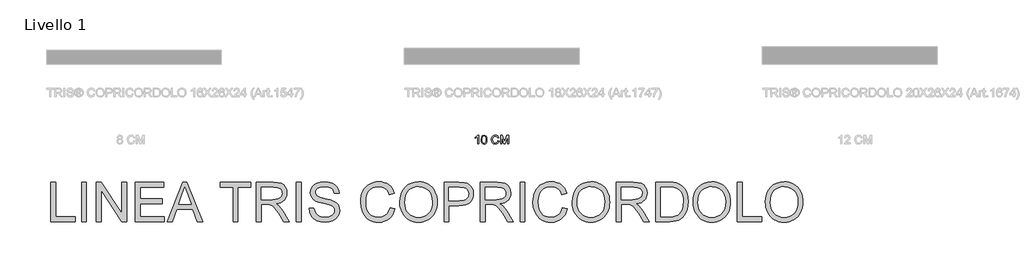
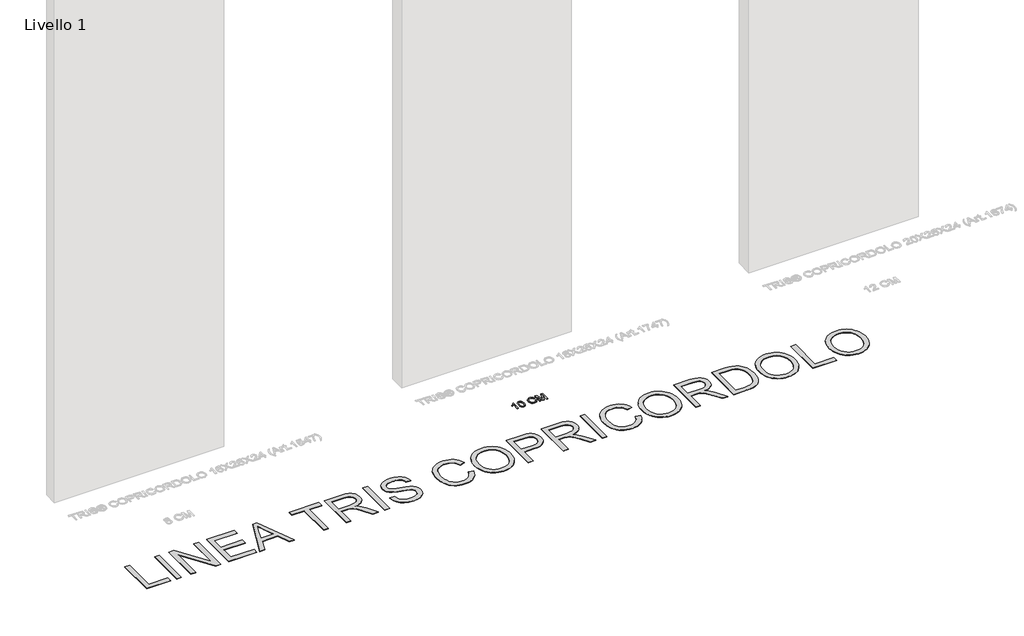
# One storey, part 2 of 16: 2 proxies.
"""IFC4 building model written with IfcOpenShell, lengths in millimetres."""

from ifc_helpers import new_model, si_unit, origin, origin_with_axes, place, context, project, spatial, polyline, outline, extrude, element, save

model = new_model("IFC4")

# Units and contexts
model_context = context("Model", 3, world=origin())
ifc_project = project(units=[si_unit("LENGTHUNIT", "METRE", prefix="MILLI")], contexts=[model_context])

# Site, building, storey
site = spatial("IfcSite", under=ifc_project)
building = spatial("IfcBuilding", under=site)
storey = spatial("IfcBuildingStorey", under=building, Name="Livello 1", Elevation=0.0)

# Proxies
placement = place(None, origin())
element("IfcBuildingElementProxy", 1, Name="100", ObjectType="100", at=placement, inside=storey, context=model_context, shape_type="SweptSolid", body=[
    extrude(outline(polyline([(-661.8210443, -2319.8590312), (-674.3780831, -2319.8590312), (-674.3780831, -2241.5737426), (-686.2729343, -2250.0472912), (-699.4921606, -2256.3871243), (-699.4921606, -2244.5167986), (-681.0857981, -2232.7691002), (-669.9144482, -2219.4027211), (-661.8210443, -2219.4027211), (-661.8210443, -2319.8590312)])), origin_with_axes(), (0.0, 0.0, 1.0), 5.0),
    extrude(outline(polyline([(-631.9980772, -2270.4402165), (-628.3069945, -2241.5369544), (-617.3441111, -2224.8719), (-599.0358505, -2219.4027211), (-584.3696216, -2222.6400826), (-574.240604, -2231.9720226), (-568.3544921, -2246.8344552), (-566.0736237, -2270.4402165), (-569.7279182, -2299.2208513), (-580.6540134, -2315.9226939), (-588.8853731, -2320.0521692), (-599.0358505, -2321.428661), (-612.0833986, -2319.0374281), (-621.991687, -2311.8637292), (-629.4964797, -2294.8737124), (-631.9980772, -2270.4402165)]), holes=[polyline([(-619.4410385, -2270.415691), (-617.9695105, -2290.1678885), (-613.5549265, -2301.5998215), (-606.9821016, -2307.0536721), (-599.0358505, -2308.8716223), (-591.0895994, -2307.0475407), (-584.5167744, -2301.575296), (-580.1021904, -2290.1372317), (-578.6306625, -2270.415691), (-580.0531395, -2251.1080177), (-584.3205707, -2239.5871799), (-590.8811329, -2233.8666148), (-599.1830033, -2231.9597598), (-607.0434152, -2233.6397543), (-613.3587228, -2238.6797376), (-617.9204595, -2250.9179453), (-619.4410385, -2270.415691)])]), origin_with_axes(), (0.0, 0.0, 1.0), 5.0),
    extrude(outline(polyline([(-440.503236, -2284.1499522), (-427.9461972, -2287.3873138), (-433.7403387, -2302.0198201), (-442.8331553, -2312.7098578), (-454.7770574, -2319.2489602), (-469.1244552, -2321.428661), (-483.6895166, -2319.7793234), (-495.2563396, -2314.8313106), (-504.1222957, -2306.7563008), (-510.5847561, -2295.7259723), (-515.8454686, -2268.8705867), (-514.3586122, -2254.2227519), (-509.898043, -2241.5737426), (-502.696753, -2231.3251634), (-492.987734, -2223.8786187), (-481.4730275, -2219.3444731), (-468.8546751, -2217.8330912), (-455.0866914, -2219.7889971), (-443.7038094, -2225.656715), (-435.0616482, -2235.074494), (-429.5158271, -2247.6805837), (-442.0728659, -2250.6726906), (-452.3735617, -2235.2339096), (-469.3451844, -2230.39013), (-488.990083, -2235.7612071), (-500.0878565, -2250.1821813), (-503.2884299, -2268.8460612), (-499.4992453, -2290.4775225), (-487.702496, -2304.2976228), (-470.375254, -2308.8716223), (-459.8936828, -2307.3142552), (-451.1595511, -2302.6421538), (-444.5652664, -2294.9043692), (-440.503236, -2284.1499522)])), origin_with_axes(), (0.0, 0.0, 1.0), 5.0),
    extrude(outline(polyline([(-410.6802689, -2319.8590312), (-410.6802689, -2219.4027211), (-389.0733331, -2219.4027211), (-368.5209923, -2290.2077424), (-364.3761885, -2304.9965986), (-359.8880281, -2288.9814691), (-339.6790439, -2219.4027211), (-318.072108, -2219.4027211), (-318.072108, -2319.8590312), (-330.6291468, -2319.8590312), (-330.6291468, -2231.9597598), (-355.8658516, -2319.8590312), (-372.8865253, -2319.8590312), (-398.1232302, -2231.9597598), (-398.1232302, -2319.8590312), (-410.6802689, -2319.8590312)])), origin_with_axes(), (0.0, 0.0, 1.0), 5.0),
])
element("IfcBuildingElementProxy", 2, Name="450mm", ObjectType="450mm", at=placement, inside=storey, context=model_context, shape_type="SweptSolid", body=[
    extrude(outline(polyline([(-5561.6557455, -3208.8590312), (-5561.6557455, -2759.2028884), (-5505.4487277, -2759.2028884), (-5505.4487277, -3152.6520133), (-5280.6206563, -3152.6520133), (-5280.6206563, -3208.8590312), (-5561.6557455, -3208.8590312)])), origin_with_axes(), (0.0, 0.0, 1.0), 5.0),
    extrude(outline(polyline([(-5210.361884, -3208.8590312), (-5210.361884, -2759.2028884), (-5154.1548661, -2759.2028884), (-5154.1548661, -3208.8590312), (-5210.361884, -3208.8590312)])), origin_with_axes(), (0.0, 0.0, 1.0), 5.0),
    extrude(outline(polyline([(-5041.7408304, -3208.8590312), (-5041.7408304, -2759.2028884), (-4981.5817566, -2759.2028884), (-4746.6539867, -3115.4368199), (-4746.6539867, -2759.2028884), (-4690.4469688, -2759.2028884), (-4690.4469688, -3208.8590312), (-4750.6060426, -3208.8590312), (-4985.5338125, -2852.5153204), (-4985.5338125, -3208.8590312), (-5041.7408304, -3208.8590312)])), origin_with_axes(), (0.0, 0.0, 1.0), 5.0),
    extrude(outline(polyline([(-4592.0846876, -3208.8590312), (-4592.0846876, -2759.2028884), (-4268.8943349, -2759.2028884), (-4268.8943349, -2815.4099062), (-4535.8776697, -2815.4099062), (-4535.8776697, -2948.9015736), (-4282.9460894, -2948.9015736), (-4282.9460894, -3005.1085915), (-4535.8776697, -3005.1085915), (-4535.8776697, -3152.6520133), (-4261.8684577, -3152.6520133), (-4261.8684577, -3208.8590312), (-4592.0846876, -3208.8590312)])), origin_with_axes(), (0.0, 0.0, 1.0), 5.0),
    extrude(outline(polyline([(-4229.9226722, -3208.8590312), (-4050.4334648, -2759.2028884), (-4002.5696761, -2759.2028884), (-3823.0804687, -3208.8590312), (-3882.4710872, -3208.8590312), (-3933.9575938, -3068.3414866), (-4119.1553264, -3068.3414866), (-4170.5320537, -3208.8590312), (-4229.9226722, -3208.8590312)]), holes=[polyline([(-4098.5168121, -3012.1344687), (-3954.4863288, -3012.1344687), (-3994.9949022, -2901.5866817), (-4026.5015704, -2815.4099062), (-4054.4953, -2891.9261005), (-4098.5168121, -3012.1344687)])]), origin_with_axes(), (0.0, 0.0, 1.0), 5.0),
    extrude(outline(polyline([(-3474.9702078, -3208.8590312), (-3474.9702078, -2815.4099062), (-3622.5136296, -2815.4099062), (-3622.5136296, -2759.2028884), (-3271.2197681, -2759.2028884), (-3271.2197681, -2815.4099062), (-3418.7631899, -2815.4099062), (-3418.7631899, -3208.8590312), (-3474.9702078, -3208.8590312)])), origin_with_axes(), (0.0, 0.0, 1.0), 5.0),
    extrude(outline(polyline([(-3207.986873, -3208.8590312), (-3207.986873, -2759.2028884), (-3014.2263524, -2759.2028884), (-2962.1497819, -2762.2355424), (-2924.2621901, -2771.3335045), (-2896.5703537, -2788.1297423), (-2875.0810495, -2814.2572233), (-2861.2900209, -2846.6558485), (-2856.6930114, -2882.2655193), (-2858.5969967, -2905.3603462), (-2864.3089525, -2926.5614796), (-2873.828879, -2945.8689196), (-2887.156776, -2963.2826661), (-2904.4641737, -2978.2469613), (-2925.9226025, -2990.2060472), (-2951.5320622, -2999.1599239), (-2981.2925529, -3005.1085915), (-2949.3467674, -3029.1502651), (-2903.7883447, -3087.003973), (-2828.8090611, -3208.8590312), (-2894.1277635, -3208.8590312), (-2952.6401473, -3115.6563786), (-2994.9051901, -3053.9603941), (-3010.6173569, -3035.9703061), (-3024.6004993, -3024.8139815), (-3051.3317666, -3014.1104967), (-3083.9362281, -3012.1344687), (-3151.7798551, -3012.1344687), (-3151.7798551, -3208.8590312), (-3207.986873, -3208.8590312)]), holes=[polyline([(-3151.7798551, -2955.9274509), (-3025.9727409, -2955.9274509), (-2989.8416184, -2953.9377005), (-2961.8067215, -2947.9684493), (-2940.701645, -2937.6217473), (-2925.3599834, -2922.4996443), (-2916.0150178, -2904.2076632), (-2912.9000292, -2884.3513266), (-2914.3854808, -2869.9770953), (-2918.8418356, -2856.9339385), (-2936.6672546, -2834.840848), (-2950.2764611, -2826.339811), (-2967.3368554, -2820.2676417), (-3011.8112071, -2815.4099062), (-3151.7798551, -2815.4099062), (-3151.7798551, -2955.9274509)])]), origin_with_axes(), (0.0, 0.0, 1.0), 5.0),
    extrude(outline(polyline([(-2751.3048529, -3208.8590312), (-2751.3048529, -2759.2028884), (-2695.0978351, -2759.2028884), (-2695.0978351, -3208.8590312), (-2751.3048529, -3208.8590312)])), origin_with_axes(), (0.0, 0.0, 1.0), 5.0),
    extrude(outline(polyline([(-2603.7614311, -3054.2897321), (-2547.5544132, -3054.2897321), (-2541.1048775, -3085.4807847), (-2529.4408235, -3110.5516396), (-2511.2448992, -3130.4491435), (-2485.1997528, -3146.1201431), (-2453.3637466, -3156.2884537), (-2417.7952431, -3159.6778906), (-2386.4806887, -3157.1117987), (-2359.0633006, -3149.4135231), (-2336.8467083, -3137.2280172), (-2321.1345415, -3121.2002348), (-2311.7895759, -3102.7984743), (-2308.6745873, -3083.4910344), (-2311.0073981, -3064.6776014), (-2318.0058305, -3048.4165379), (-2332.222254, -3034.5431748), (-2356.209038, -3022.8928432), (-2438.0495298, -3001.4309839), (-2491.7727903, -2987.2282828), (-2526.1474435, -2973.7117026), (-2554.1274507, -2954.8022127), (-2573.9563425, -2931.8857772), (-2585.7713431, -2905.4564031), (-2589.7096766, -2876.0080974), (-2584.8382188, -2843.0880203), (-2570.2238452, -2812.3909746), (-2546.2507836, -2786.373273), (-2513.3032617, -2767.4912279), (-2473.7552574, -2756.0055653), (-2429.9807489, -2752.1770112), (-2382.5560776, -2756.1839568), (-2341.0594902, -2768.2047936), (-2306.9730077, -2787.9925181), (-2281.7786511, -2815.3001269), (-2265.8332031, -2848.4260403), (-2259.4934467, -2885.6686786), (-2315.7004646, -2885.6686786), (-2319.4604067, -2867.7334802), (-2326.0197218, -2852.1310927), (-2335.3784098, -2838.861516), (-2347.5364708, -2827.9247501), (-2362.7203246, -2819.3756846), (-2381.1563911, -2813.2692093), (-2427.7851623, -2808.384029), (-2475.5117268, -2813.2143196), (-2493.7556794, -2819.2521828), (-2508.2534124, -2827.7051914), (-2527.1903472, -2849.0298266), (-2531.9245809, -2861.1947488), (-2533.5026587, -2874.3614074), (-2529.029151, -2895.9604909), (-2515.6086277, -2913.3330701), (-2483.8824008, -2928.8668456), (-2423.8331063, -2944.729959), (-2361.8626736, -2959.7971723), (-2324.3730318, -2972.9432473), (-2292.3311893, -2993.3347582), (-2269.9773729, -3018.50167), (-2256.8450203, -3048.1695344), (-2252.4675695, -3082.063903), (-2257.5036963, -3116.7130046), (-2272.6120769, -3149.3037437), (-2297.1752023, -3177.352363), (-2330.575564, -3198.375105), (-2370.741077, -3211.5074576), (-2415.5996565, -3215.8849084), (-2470.6677137, -3211.1643972), (-2515.9928553, -3197.0028634), (-2535.1321957, -3186.3679906), (-2552.0965331, -3173.3454174), (-2566.8858674, -3157.9351437), (-2579.5001987, -3140.1371695), (-2597.0923367, -3099.6834858), (-2603.7614311, -3054.2897321)])), origin_with_axes(), (0.0, 0.0, 1.0), 5.0),
    extrude(outline(polyline([(-1676.3456365, -3049.0203242), (-1620.1386186, -3063.511196), (-1631.2606372, -3098.4656213), (-1646.0739858, -3129.0082898), (-1664.5786644, -3155.1392013), (-1686.774673, -3176.858356), (-1712.1611435, -3193.9324727), (-1740.2372076, -3206.1282703), (-1771.0028653, -3213.4457489), (-1804.4581166, -3215.8849084), (-1838.7332824, -3214.0392434), (-1869.6533173, -3208.5022484), (-1897.2182214, -3199.2739233), (-1921.4279946, -3186.3542682), (-1942.6154056, -3169.9353969), (-1961.113223, -3150.2094232), (-1976.9214468, -3127.1763472), (-1990.040077, -3100.8361688), (-2007.7008269, -3042.7903471), (-2013.5877436, -2980.6278005), (-2011.9239006, -2946.7265706), (-2006.9323716, -2915.0620946), (-1998.6131566, -2885.6343725), (-1986.9662557, -2858.4434043), (-1972.2523946, -2833.9385991), (-1954.7322994, -2812.569366), (-1934.40597, -2794.3357051), (-1911.2734064, -2779.2376164), (-1886.120217, -2767.3986016), (-1859.7320102, -2758.9421625), (-1832.1087858, -2753.868299), (-1803.250544, -2752.1770112), (-1771.1023528, -2754.3657366), (-1741.6231716, -2760.9319129), (-1714.8130005, -2771.87554), (-1690.6718393, -2787.196618), (-1669.5976382, -2806.4903355), (-1651.9883473, -2829.3518814), (-1637.8439665, -2855.7812555), (-1627.1644959, -2885.7784579), (-1683.3715137, -2899.1715364), (-1702.8573451, -2858.1826784), (-1715.276132, -2842.5151094), (-1729.4788331, -2830.065447), (-1745.5477827, -2820.5798266), (-1763.5653156, -2813.8043835), (-1805.4461306, -2808.384029), (-1830.6610709, -2809.8866336), (-1853.7215918, -2814.3944474), (-1874.6276933, -2821.9074704), (-1893.3793754, -2832.4257027), (-1909.7399264, -2845.4757207), (-1923.4726347, -2860.5841012), (-1934.5775002, -2877.7508442), (-1943.054523, -2896.9759497), (-1953.7991751, -2938.1157543), (-1957.3807258, -2980.5180212), (-1953.1404991, -3032.4436451), (-1940.419819, -3077.3433918), (-1930.7592378, -3096.7297356), (-1918.738401, -3113.5019592), (-1904.3573085, -3127.6600624), (-1887.6159604, -3139.2040452), (-1850.3047101, -3154.5594292), (-1810.0568626, -3159.6778906), (-1785.6206694, -3157.9351437), (-1763.1399207, -3152.706903), (-1742.6146162, -3143.9931686), (-1724.0447561, -3131.7939403), (-1707.8694577, -3116.164108), (-1694.5278383, -3097.1585612), (-1684.0198979, -3074.7772999), (-1676.3456365, -3049.0203242)])), origin_with_axes(), (0.0, 0.0, 1.0), 5.0),
    extrude(outline(polyline([(-1563.9316008, -2989.9590437), (-1560.1853811, -2937.216936), (-1548.946722, -2890.526414), (-1530.2156235, -2849.8874776), (-1503.9920857, -2815.3001269), (-1471.8473251, -2787.6837638), (-1435.3525585, -2767.9577901), (-1394.5077859, -2756.1222059), (-1349.3130072, -2752.1770112), (-1319.0619401, -2754.0295374), (-1290.3340613, -2759.587116), (-1263.1293706, -2768.8497472), (-1237.4478682, -2781.8174307), (-1214.0099809, -2798.0990779), (-1193.5361355, -2817.3035997), (-1176.0263321, -2839.4309963), (-1161.4805706, -2864.4812675), (-1150.0497977, -2891.8849332), (-1141.8849599, -2921.072513), (-1136.9860572, -2952.044007), (-1135.3530897, -2984.7994151), (-1137.0718223, -3017.9870793), (-1142.2280203, -3049.377107), (-1150.8216836, -3078.9694981), (-1162.8528123, -3106.7642527), (-1178.0366661, -3132.0272214), (-1196.088505, -3154.024255), (-1217.0083289, -3172.7553535), (-1240.7961378, -3188.2205168), (-1266.5153769, -3200.3236882), (-1293.2294911, -3208.9688105), (-1320.9384806, -3214.155884), (-1349.6423452, -3215.8849084), (-1380.4217254, -3213.9740619), (-1409.5269707, -3208.2415225), (-1436.9580812, -3198.68729), (-1462.7150569, -3185.3113645), (-1486.1254994, -3168.6317673), (-1506.5170103, -3149.1665196), (-1523.8895895, -3126.9156213), (-1538.2432372, -3101.8790724), (-1549.4818963, -3075.06204), (-1557.5095099, -3047.4696911), (-1562.3260781, -3019.1020257), (-1563.9316008, -2989.9590437)]), holes=[polyline([(-1507.7245829, -2990.5079404), (-1504.9149182, -3027.7711623), (-1496.4859239, -3060.8490472), (-1482.4376, -3089.7415951), (-1462.7699466, -3114.4488059), (-1438.8620665, -3134.2365304), (-1412.0930626, -3148.3706194), (-1382.4629348, -3156.8510728), (-1349.9716832, -3159.6778906), (-1316.9246738, -3156.823628), (-1286.9446244, -3148.2608401), (-1260.0315351, -3133.989527), (-1236.1854059, -3114.0096886), (-1216.6618378, -3088.7810259), (-1202.7164321, -3058.7632399), (-1194.3491887, -3023.9563305), (-1191.5601075, -2984.3602978), (-1196.3355085, -2934.6028157), (-1210.6617112, -2891.5967625), (-1234.1682107, -2856.4262091), (-1266.4845014, -2830.1752264), (-1305.4698866, -2813.8318283), (-1348.9836692, -2808.384029), (-1380.3462521, -2811.0084412), (-1409.4446362, -2818.8816776), (-1436.2788216, -2832.0037383), (-1460.8488083, -2850.3746234), (-1481.3569597, -2874.8794286), (-1496.0056393, -2906.4032498), (-1504.794847, -2944.9460871), (-1507.7245829, -2990.5079404)])]), origin_with_axes(), (0.0, 0.0, 1.0), 5.0),
    extrude(outline(polyline([(-1058.0684401, -3208.8590312), (-1058.0684401, -2759.2028884), (-891.4234145, -2759.2028884), (-824.2384635, -2763.4842823), (-794.2824284, -2771.4844511), (-769.623246, -2784.5070243), (-749.7669093, -2803.1420659), (-734.2194115, -2827.9796397), (-724.1746026, -2857.2769989), (-720.826333, -2889.2913965), (-723.0871011, -2916.8940372), (-729.8694055, -2942.2873689), (-741.173246, -2965.4713915), (-756.9986228, -2986.4461051), (-778.7246387, -3003.8324068), (-807.7303965, -3016.2511937), (-844.0158962, -3023.7024658), (-887.5811379, -3026.1862232), (-1001.8614223, -3026.1862232), (-1001.8614223, -3208.8590312), (-1058.0684401, -3208.8590312)]), holes=[polyline([(-1001.8614223, -2969.9792053), (-884.287758, -2969.9792053), (-834.4479414, -2964.8195767), (-815.8677895, -2958.370041), (-801.5141418, -2949.340691), (-790.8037958, -2937.9716689), (-783.1535486, -2924.5031172), (-778.5634003, -2908.9350357), (-777.0333509, -2891.2674245), (-780.6423464, -2866.0181782), (-791.469333, -2844.7209878), (-808.1695138, -2828.6932054), (-829.3980921, -2819.2521828), (-885.60511, -2815.4099062), (-1001.8614223, -2815.4099062), (-1001.8614223, -2969.9792053)])]), origin_with_axes(), (0.0, 0.0, 1.0), 5.0),
    extrude(outline(polyline([(-643.5416835, -3208.8590312), (-643.5416835, -2759.2028884), (-449.7811629, -2759.2028884), (-397.7045924, -2762.2355424), (-359.8170006, -2771.3335045), (-332.1251641, -2788.1297423), (-310.63586, -2814.2572233), (-296.8448314, -2846.6558485), (-292.2478219, -2882.2655193), (-294.1518072, -2905.3603462), (-299.863763, -2926.5614796), (-309.3836895, -2945.8689196), (-322.7115864, -2963.2826661), (-340.0189842, -2978.2469613), (-361.477413, -2990.2060472), (-387.0868727, -2999.1599239), (-416.8473634, -3005.1085915), (-384.9015779, -3029.1502651), (-339.3431552, -3087.003973), (-264.3638716, -3208.8590312), (-329.682574, -3208.8590312), (-388.1949578, -3115.6563786), (-430.4600006, -3053.9603941), (-446.1721674, -3035.9703061), (-460.1553098, -3024.8139815), (-486.8865771, -3014.1104967), (-519.4910386, -3012.1344687), (-587.3346656, -3012.1344687), (-587.3346656, -3208.8590312), (-643.5416835, -3208.8590312)]), holes=[polyline([(-587.3346656, -2955.9274509), (-461.5275514, -2955.9274509), (-425.3964289, -2953.9377005), (-397.361532, -2947.9684493), (-376.2564555, -2937.6217473), (-360.9147939, -2922.4996443), (-351.5698283, -2904.2076632), (-348.4548397, -2884.3513266), (-349.9402913, -2869.9770953), (-354.3966461, -2856.9339385), (-372.2220651, -2834.840848), (-385.8312716, -2826.339811), (-402.8916659, -2820.2676417), (-447.3660176, -2815.4099062), (-587.3346656, -2815.4099062), (-587.3346656, -2955.9274509)])]), origin_with_axes(), (0.0, 0.0, 1.0), 5.0),
    extrude(outline(polyline([(-186.8596634, -3208.8590312), (-186.8596634, -2759.2028884), (-130.6526456, -2759.2028884), (-130.6526456, -3208.8590312), (-186.8596634, -3208.8590312)])), origin_with_axes(), (0.0, 0.0, 1.0), 5.0),
    extrude(outline(polyline([(297.9258656, -3049.0203242), (354.1328834, -3063.511196), (343.0108649, -3098.4656213), (328.1975163, -3129.0082898), (309.6928377, -3155.1392013), (287.496829, -3176.858356), (262.1103586, -3193.9324727), (234.0342945, -3206.1282703), (203.2686368, -3213.4457489), (169.8133854, -3215.8849084), (135.5382197, -3214.0392434), (104.6181848, -3208.5022484), (77.0532807, -3199.2739233), (52.8435074, -3186.3542682), (31.6560964, -3169.9353969), (13.158279, -3150.2094232), (-2.6499448, -3127.1763472), (-15.7685749, -3100.8361688), (-33.4293249, -3042.7903471), (-39.3162416, -2980.6278005), (-37.6523986, -2946.7265706), (-32.6608696, -2915.0620946), (-24.3416546, -2885.6343725), (-12.6947536, -2858.4434043), (2.0191075, -2833.9385991), (19.5392027, -2812.569366), (39.8655321, -2794.3357051), (62.9980956, -2779.2376164), (88.151285, -2767.3986016), (114.5394919, -2758.9421625), (142.1627162, -2753.868299), (171.0209581, -2752.1770112), (203.1691492, -2754.3657366), (232.6483304, -2760.9319129), (259.4585016, -2771.87554), (283.5996628, -2787.196618), (304.6738639, -2806.4903355), (322.2831548, -2829.3518814), (336.4275356, -2855.7812555), (347.1070062, -2885.7784579), (290.8999883, -2899.1715364), (271.4141569, -2858.1826784), (258.99537, -2842.5151094), (244.792669, -2830.065447), (228.7237193, -2820.5798266), (210.7061865, -2813.8043835), (168.8253714, -2808.384029), (143.6104312, -2809.8866336), (120.5499103, -2814.3944474), (99.6438088, -2821.9074704), (80.8921267, -2832.4257027), (64.5315757, -2845.4757207), (50.7988674, -2860.5841012), (39.6940019, -2877.7508442), (31.2169791, -2896.9759497), (20.472327, -2938.1157543), (16.8907763, -2980.5180212), (21.131003, -3032.4436451), (33.8516831, -3077.3433918), (43.5122642, -3096.7297356), (55.5331011, -3113.5019592), (69.9141935, -3127.6600624), (86.6555416, -3139.2040452), (123.966792, -3154.5594292), (164.2146395, -3159.6778906), (188.6508326, -3157.9351437), (211.1315814, -3152.706903), (231.6568858, -3143.9931686), (250.2267459, -3131.7939403), (266.4020443, -3116.164108), (279.7436637, -3097.1585612), (290.2516041, -3074.7772999), (297.9258656, -3049.0203242)])), origin_with_axes(), (0.0, 0.0, 1.0), 5.0),
    extrude(outline(polyline([(410.3399013, -2989.9590437), (414.086121, -2937.216936), (425.32478, -2890.526414), (444.0558785, -2849.8874776), (470.2794164, -2815.3001269), (502.424177, -2787.6837638), (538.9189436, -2767.9577901), (579.7637162, -2756.1222059), (624.9584948, -2752.1770112), (655.2095619, -2754.0295374), (683.9374408, -2759.587116), (711.1421314, -2768.8497472), (736.8236339, -2781.8174307), (760.2615212, -2798.0990779), (780.7353666, -2817.3035997), (798.24517, -2839.4309963), (812.7909314, -2864.4812675), (824.2217043, -2891.8849332), (832.3865421, -2921.072513), (837.2854448, -2952.044007), (838.9184124, -2984.7994151), (837.1996797, -3017.9870793), (832.0434817, -3049.377107), (823.4498184, -3078.9694981), (811.4186898, -3106.7642527), (796.234836, -3132.0272214), (778.1829971, -3154.024255), (757.2631732, -3172.7553535), (733.4753642, -3188.2205168), (707.7561252, -3200.3236882), (681.0420109, -3208.9688105), (653.3330215, -3214.155884), (624.6291568, -3215.8849084), (593.8497767, -3213.9740619), (564.7445314, -3208.2415225), (537.3134208, -3198.68729), (511.5564451, -3185.3113645), (488.1460026, -3168.6317673), (467.7544918, -3149.1665196), (450.3819125, -3126.9156213), (436.0282649, -3101.8790724), (424.7896058, -3075.06204), (416.7619922, -3047.4696911), (411.945424, -3019.1020257), (410.3399013, -2989.9590437)]), holes=[polyline([(466.5469191, -2990.5079404), (469.3565839, -3027.7711623), (477.7855782, -3060.8490472), (491.8339021, -3089.7415951), (511.5015555, -3114.4488059), (535.4094356, -3134.2365304), (562.1784395, -3148.3706194), (591.8085672, -3156.8510728), (624.2998188, -3159.6778906), (657.3468283, -3156.823628), (687.3268777, -3148.2608401), (714.239967, -3133.989527), (738.0860962, -3114.0096886), (757.6096642, -3088.7810259), (771.5550699, -3058.7632399), (779.9223134, -3023.9563305), (782.7113945, -2984.3602978), (777.9359936, -2934.6028157), (763.6097908, -2891.5967625), (740.1032914, -2856.4262091), (707.7870006, -2830.1752264), (668.8016154, -2813.8318283), (625.2878328, -2808.384029), (593.92525, -2811.0084412), (564.8268659, -2818.8816776), (537.9926805, -2832.0037383), (513.4226938, -2850.3746234), (492.9145424, -2874.8794286), (478.2658628, -2906.4032498), (469.476655, -2944.9460871), (466.5469191, -2990.5079404)])]), origin_with_axes(), (0.0, 0.0, 1.0), 5.0),
    extrude(outline(polyline([(916.2030619, -3208.8590312), (916.2030619, -2759.2028884), (1109.9635825, -2759.2028884), (1162.040153, -2762.2355424), (1199.9277448, -2771.3335045), (1227.6195813, -2788.1297423), (1249.1088854, -2814.2572233), (1262.899914, -2846.6558485), (1267.4969235, -2882.2655193), (1265.5929382, -2905.3603462), (1259.8809824, -2926.5614796), (1250.3610559, -2945.8689196), (1237.0331589, -2963.2826661), (1219.7257612, -2978.2469613), (1198.2673324, -2990.2060472), (1172.6578727, -2999.1599239), (1142.897382, -3005.1085915), (1174.8431675, -3029.1502651), (1220.4015902, -3087.003973), (1295.3808738, -3208.8590312), (1230.0621714, -3208.8590312), (1171.5497876, -3115.6563786), (1129.2847448, -3053.9603941), (1113.572578, -3035.9703061), (1099.5894356, -3024.8139815), (1072.8581683, -3014.1104967), (1040.2537068, -3012.1344687), (972.4100798, -3012.1344687), (972.4100798, -3208.8590312), (916.2030619, -3208.8590312)]), holes=[polyline([(972.4100798, -2955.9274509), (1098.217194, -2955.9274509), (1134.3483165, -2953.9377005), (1162.3832134, -2947.9684493), (1183.4882899, -2937.6217473), (1198.8299515, -2922.4996443), (1208.1749171, -2904.2076632), (1211.2899057, -2884.3513266), (1209.8044541, -2869.9770953), (1205.3480993, -2856.9339385), (1187.5226803, -2834.840848), (1173.9134738, -2826.339811), (1156.8530795, -2820.2676417), (1112.3787278, -2815.4099062), (972.4100798, -2815.4099062), (972.4100798, -2955.9274509)])]), origin_with_axes(), (0.0, 0.0, 1.0), 5.0),
    extrude(outline(polyline([(1365.8592047, -3208.8590312), (1365.8592047, -2759.2028884), (1520.9774005, -2759.2028884), (1567.3317233, -2760.8221335), (1601.226092, -2765.679869), (1637.0690438, -2778.1672679), (1667.3132497, -2797.8452132), (1698.4082454, -2832.0963647), (1720.5562256, -2874.6907454), (1733.8120799, -2924.8050103), (1738.230698, -2981.6158145), (1735.2392112, -3029.8775532), (1726.2647509, -3072.3484322), (1712.5972241, -3108.5069996), (1695.526538, -3137.8318036), (1675.8760376, -3160.9815201), (1654.4690679, -3178.6148253), (1629.89222, -3191.6922882), (1600.732085, -3201.174478), (1566.9337733, -3206.9378929), (1528.4423951, -3208.8590312), (1365.8592047, -3208.8590312)]), holes=[polyline([(1422.0662226, -3152.6520133), (1521.5262972, -3152.6520133), (1562.6661017, -3150.6210957), (1593.8708768, -3144.5283428), (1617.4185434, -3134.7305374), (1635.5870228, -3121.5844625), (1655.1140215, -3097.2546181), (1669.7832847, -3065.7616723), (1678.9635813, -3026.9684009), (1682.0236802, -2980.7375798), (1680.5245062, -2948.1056735), (1676.0269842, -2919.4807127), (1668.5311142, -2894.8626976), (1658.0368962, -2874.251628), (1631.4565755, -2843.1840772), (1616.2212626, -2832.2610337), (1599.6891814, -2824.4118114), (1567.3591682, -2817.6603825), (1519.9893865, -2815.4099062), (1422.0662226, -2815.4099062), (1422.0662226, -3152.6520133)])]), origin_with_axes(), (0.0, 0.0, 1.0), 5.0),
    extrude(outline(polyline([(1794.4377159, -2989.9590437), (1798.1839356, -2937.216936), (1809.4225947, -2890.526414), (1828.1536931, -2849.8874776), (1854.377231, -2815.3001269), (1886.5219916, -2787.6837638), (1923.0167582, -2767.9577901), (1963.8615308, -2756.1222059), (2009.0563094, -2752.1770112), (2039.3073765, -2754.0295374), (2068.0352554, -2759.587116), (2095.2399461, -2768.8497472), (2120.9214485, -2781.8174307), (2144.3593358, -2798.0990779), (2164.8331812, -2817.3035997), (2182.3429846, -2839.4309963), (2196.888746, -2864.4812675), (2208.319519, -2891.8849332), (2216.4843568, -2921.072513), (2221.3832594, -2952.044007), (2223.016227, -2984.7994151), (2221.2974943, -3017.9870793), (2216.1412963, -3049.377107), (2207.547633, -3078.9694981), (2195.5165044, -3106.7642527), (2180.3326506, -3132.0272214), (2162.2808117, -3154.024255), (2141.3609878, -3172.7553535), (2117.5731789, -3188.2205168), (2091.8539398, -3200.3236882), (2065.1398255, -3208.9688105), (2037.4308361, -3214.155884), (2008.7269714, -3215.8849084), (1977.9475913, -3213.9740619), (1948.842346, -3208.2415225), (1921.4112354, -3198.68729), (1895.6542597, -3185.3113645), (1872.2438172, -3168.6317673), (1851.8523064, -3149.1665196), (1834.4797271, -3126.9156213), (1820.1260795, -3101.8790724), (1808.8874204, -3075.06204), (1800.8598068, -3047.4696911), (1796.0432386, -3019.1020257), (1794.4377159, -2989.9590437)]), holes=[polyline([(1850.6447337, -2990.5079404), (1853.4543985, -3027.7711623), (1861.8833928, -3060.8490472), (1875.9317167, -3089.7415951), (1895.5993701, -3114.4488059), (1919.5072502, -3134.2365304), (1946.2762541, -3148.3706194), (1975.9063818, -3156.8510728), (2008.3976334, -3159.6778906), (2041.4446429, -3156.823628), (2071.4246923, -3148.2608401), (2098.3377816, -3133.989527), (2122.1839108, -3114.0096886), (2141.7074788, -3088.7810259), (2155.6528846, -3058.7632399), (2164.020128, -3023.9563305), (2166.8092091, -2984.3602978), (2162.0338082, -2934.6028157), (2147.7076054, -2891.5967625), (2124.201106, -2856.4262091), (2091.8848152, -2830.1752264), (2052.89943, -2813.8318283), (2009.3856474, -2808.384029), (1978.0230646, -2811.0084412), (1948.9246805, -2818.8816776), (1922.0904951, -2832.0037383), (1897.5205084, -2850.3746234), (1877.012357, -2874.8794286), (1862.3636774, -2906.4032498), (1853.5744696, -2944.9460871), (1850.6447337, -2990.5079404)])]), origin_with_axes(), (0.0, 0.0, 1.0), 5.0),
    extrude(outline(polyline([(2300.3008765, -3208.8590312), (2300.3008765, -2759.2028884), (2356.5078944, -2759.2028884), (2356.5078944, -3152.6520133), (2581.3359658, -3152.6520133), (2581.3359658, -3208.8590312), (2300.3008765, -3208.8590312)])), origin_with_axes(), (0.0, 0.0, 1.0), 5.0),
    extrude(outline(polyline([(2623.4912292, -2989.9590437), (2627.2374489, -2937.216936), (2638.476108, -2890.526414), (2657.2072065, -2849.8874776), (2683.4307443, -2815.3001269), (2715.5755049, -2787.6837638), (2752.0702715, -2767.9577901), (2792.9150441, -2756.1222059), (2838.1098227, -2752.1770112), (2868.3608899, -2754.0295374), (2897.0887687, -2759.587116), (2924.2934594, -2768.8497472), (2949.9749618, -2781.8174307), (2973.4128491, -2798.0990779), (2993.8866945, -2817.3035997), (3011.3964979, -2839.4309963), (3025.9422594, -2864.4812675), (3037.3730323, -2891.8849332), (3045.5378701, -2921.072513), (3050.4367728, -2952.044007), (3052.0697403, -2984.7994151), (3050.3510077, -3017.9870793), (3045.1948097, -3049.377107), (3036.6011464, -3078.9694981), (3024.5700177, -3106.7642527), (3009.3861639, -3132.0272214), (2991.334325, -3154.024255), (2970.4145011, -3172.7553535), (2946.6266922, -3188.2205168), (2920.9074531, -3200.3236882), (2894.1933389, -3208.9688105), (2866.4843494, -3214.155884), (2837.7804848, -3215.8849084), (2807.0011046, -3213.9740619), (2777.8958593, -3208.2415225), (2750.4647488, -3198.68729), (2724.7077731, -3185.3113645), (2701.2973306, -3168.6317673), (2680.9058197, -3149.1665196), (2663.5332404, -3126.9156213), (2649.1795928, -3101.8790724), (2637.9409337, -3075.06204), (2629.9133201, -3047.4696911), (2625.0967519, -3019.1020257), (2623.4912292, -2989.9590437)]), holes=[polyline([(2679.698247, -2990.5079404), (2682.5079118, -3027.7711623), (2690.9369061, -3060.8490472), (2704.98523, -3089.7415951), (2724.6528834, -3114.4488059), (2748.5607635, -3134.2365304), (2775.3297674, -3148.3706194), (2804.9598952, -3156.8510728), (2837.4511468, -3159.6778906), (2870.4981562, -3156.823628), (2900.4782056, -3148.2608401), (2927.3912949, -3133.989527), (2951.2374241, -3114.0096886), (2970.7609921, -3088.7810259), (2984.7063979, -3058.7632399), (2993.0736413, -3023.9563305), (2995.8627225, -2984.3602978), (2991.0873215, -2934.6028157), (2976.7611187, -2891.5967625), (2953.2546193, -2856.4262091), (2920.9383285, -2830.1752264), (2881.9529434, -2813.8318283), (2838.4391607, -2808.384029), (2807.0765779, -2811.0084412), (2777.9781938, -2818.8816776), (2751.1440084, -2832.0037383), (2726.5740217, -2850.3746234), (2706.0658703, -2874.8794286), (2691.4171907, -2906.4032498), (2682.627983, -2944.9460871), (2679.698247, -2990.5079404)])]), origin_with_axes(), (0.0, 0.0, 1.0), 5.0),
])

save(model, "model.ifc")
